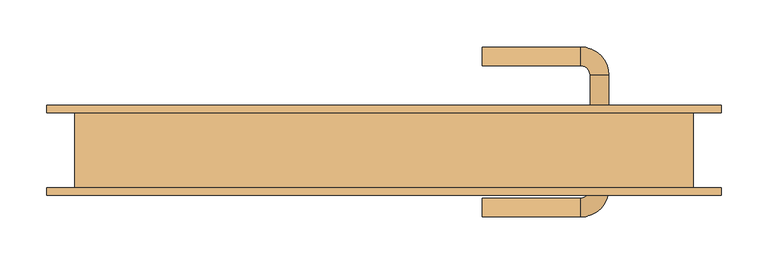
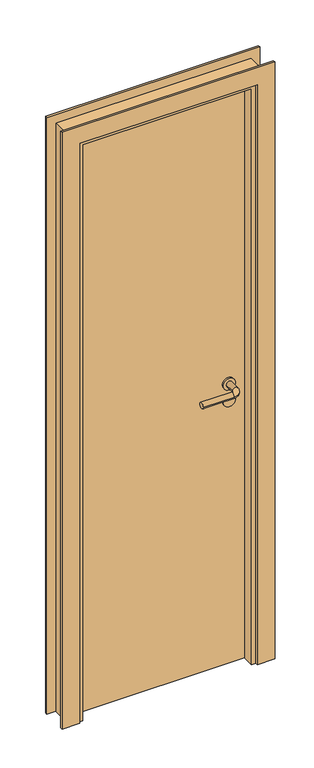
"""IFC4 building model written with IfcOpenShell, lengths in millimetres: door geometry."""

from ifc_helpers import new_model, si_unit, point, frame, frame_2d, origin, origin_with_axes, place, context, project, spatial, polyline, circle_curve, ellipse_curve, trimmed, segment, composite_curve, outline, extrude, faceted_brep, source, transform, mapped, element, save
from ifc_brep_helpers import plane_surface, cylinder_surface, revolved_surface, advanced_brep


def door_f79546a5(model_context):
    return source(origin(), model_context, "Body", "SolidModel", [
        advanced_brep(
        [(250.0, -6.5831809, 1000.0), (210.0, -6.5831809, 1000.0), (240.0, -6.5831809, 1000.0), (220.0, -6.5831809, 1000.0), (250.0, 0.0, 1000.0), (210.0, 0.0, 1000.0), (105.0, -70.6350833, 1000.0), (105.0, -50.6350833, 1000.0), (240.0, -40.6350833, 1000.0), (220.0, -40.6350833, 1000.0), (210.0, -50.6350833, 1000.0), (210.0, -70.6350833, 1000.0)],
        [
            (0, 1, circle_curve(frame((230.0, -6.5831809, 1000.0), z_axis=(0.0, -1.0, 0.0), x_axis=(-1.0, 0.0, 0.0)), 20.0)),
            (1, 0, circle_curve(frame((230.0, -6.5831809, 1000.0), z_axis=(0.0, -1.0, 0.0), x_axis=(-1.0, 0.0, 0.0)), 20.0)),
            (2, 3, circle_curve(frame((230.0, -6.5831809, 1000.0), z_axis=(0.0, 1.0, 0.0), x_axis=(-1.0, 0.0, 0.0)), 10.0)),
            (3, 2, circle_curve(frame((230.0, -6.5831809, 1000.0), z_axis=(0.0, 1.0, 0.0), x_axis=(-1.0, 0.0, 0.0)), 10.0)),
            (4, 5, circle_curve(frame((230.0, 0.0, 1000.0), z_axis=(0.0, 1.0, 0.0), x_axis=(-1.0, 0.0, 0.0)), 20.0)),
            (5, 4, circle_curve(frame((230.0, 0.0, 1000.0), z_axis=(0.0, 1.0, 0.0), x_axis=(-1.0, 0.0, 0.0)), 20.0)),
            (1, 5),
            (4, 0),
            (6, 7, circle_curve(frame((105.0, -60.6350833, 1000.0), z_axis=(-1.0, 0.0, 0.0), x_axis=(0.0, 1.0, 0.0)), 10.0)),
            (7, 6, circle_curve(frame((105.0, -60.6350833, 1000.0), z_axis=(-1.0, 0.0, 0.0), x_axis=(0.0, 1.0, 0.0)), 10.0)),
            (8, 2),
            (3, 9),
            (9, 8, circle_curve(frame((230.0, -40.6350833, 1000.0), z_axis=(0.0, 1.0, 0.0), x_axis=(-1.0, 0.0, 0.0)), 10.0)),
            (8, 9, circle_curve(frame((230.0, -40.6350833, 1000.0), z_axis=(0.0, 1.0, 0.0), x_axis=(-1.0, 0.0, 0.0)), 10.0)),
            (9, 10, circle_curve(frame((210.0, -40.6350833, 1000.0), z_axis=(0.0, 0.0, -1.0), x_axis=(1.0, 0.0, 0.0)), 10.0)),
            (10, 11, circle_curve(frame((210.0, -60.6350833, 1000.0), z_axis=(1.0, 0.0, 0.0), x_axis=(0.0, 1.0, 0.0)), 10.0)),
            (11, 8, circle_curve(frame((210.0, -40.6350833, 1000.0), z_axis=(0.0, 0.0, 1.0), x_axis=(1.0, 0.0, 0.0)), 30.0)),
            (11, 10, circle_curve(frame((210.0, -60.6350833, 1000.0), z_axis=(1.0, 0.0, 0.0), x_axis=(0.0, 1.0, 0.0)), 10.0)),
            (6, 11),
            (10, 7),
        ],
        [
            plane_surface(frame((210.0, -6.5831809, 1000.0), z_axis=(0.0, -1.0, 0.0), x_axis=(0.0, 0.0, 1.0))),
            plane_surface(frame((210.0, 0.0, 1000.0), z_axis=(0.0, 1.0, 0.0), x_axis=(0.0, 0.0, -1.0))),
            cylinder_surface(frame((230.0, 0.0, 1000.0), z_axis=(0.0, -1.0, 0.0), x_axis=(-1.0, 0.0, 0.0)), 20.0),
            plane_surface(frame((105.0, -60.6350833, 1000.0), z_axis=(-1.0, 0.0, 0.0), x_axis=(0.0, 0.0, -1.0))),
            cylinder_surface(frame((230.0, 0.0, 1000.0), z_axis=(0.0, 1.0, 0.0), x_axis=(-1.0, 0.0, 0.0)), 10.0),
            revolved_surface(trimmed(ellipse_curve(frame((230.0, -40.6350833, 1000.0), z_axis=(0.0, -1.0, 0.0), x_axis=(-1.0, 0.0, 0.0)), 10.0, 10.0), [point((240.0, -40.6350833, 1000.0))], [point((220.0, -40.6350833, 1000.0))], True, "CARTESIAN"), (210.0, -40.6350833, 1000.0), (0.0, 0.0, 1.0)),
            revolved_surface(trimmed(ellipse_curve(frame((230.0, -40.6350833, 1000.0), z_axis=(0.0, -1.0, 0.0), x_axis=(-1.0, 0.0, 0.0)), 10.0, 10.0), [point((220.0, -40.6350833, 1000.0))], [point((240.0, -40.6350833, 1000.0))], True, "CARTESIAN"), (210.0, -40.6350833, 1000.0), (0.0, 0.0, 1.0)),
            cylinder_surface(frame((210.0, -60.6350833, 1000.0), z_axis=(1.0, 0.0, 0.0), x_axis=(0.0, 1.0, 0.0)), 10.0),
        ],
        [
            (0, [[1, 2], [3, 4]]),
            (1, [[5, 6]]),
            (2, [[7, -5, 8, -2]]),
            (2, [[-8, -6, -7, -1]]),
            (3, [[9, 10]]),
            (4, [[11, -4, 12, 13]]),
            (4, [[-12, -3, -11, 14]]),
            (5, [[15, 16, 17, -13]]),
            (6, [[-17, 18, -15, -14]]),
            (7, [[19, -16, 20, -9]]),
            (7, [[-20, -18, -19, -10]]),
        ],
    ),
        extrude(outline(composite_curve([segment(trimmed(circle_curve(frame_2d((940.0, 230.0)), 20.0), [point((940.0, 250.0))], [point((940.0, 210.0))], False, "CARTESIAN"), True, "CONTINUOUS"), segment(trimmed(circle_curve(frame_2d((940.0, 230.0)), 20.0), [point((940.0, 210.0))], [point((940.0, 250.0))], False, "CARTESIAN"), True, "CONTINUOUS")], self_intersect=False)), frame((0.0, -6.5831809, 0.0), z_axis=(0.0, 1.0, 0.0), x_axis=(0.0, 0.0, 1.0)), (0.0, 0.0, 1.0), 6.5831809),
        advanced_brep(
        [(250.0, 46.5831809, 1000.0), (210.0, 46.5831809, 1000.0), (240.0, 46.5831809, 1000.0), (220.0, 46.5831809, 1000.0), (250.0, 40.0, 1000.0), (210.0, 40.0, 1000.0), (105.0, 110.6350833, 1000.0), (105.0, 90.6350833, 1000.0), (240.0, 80.6350833, 1000.0), (220.0, 80.6350833, 1000.0), (210.0, 110.6350833, 1000.0), (210.0, 90.6350833, 1000.0)],
        [
            (0, 1, circle_curve(frame((230.0, 46.5831809, 1000.0), z_axis=(0.0, 1.0, 0.0), x_axis=(-1.0, 0.0, 0.0)), 20.0)),
            (1, 0, circle_curve(frame((230.0, 46.5831809, 1000.0), z_axis=(0.0, 1.0, 0.0), x_axis=(-1.0, 0.0, 0.0)), 20.0)),
            (2, 3, circle_curve(frame((230.0, 46.5831809, 1000.0), z_axis=(0.0, -1.0, 0.0), x_axis=(-1.0, 0.0, 0.0)), 10.0)),
            (3, 2, circle_curve(frame((230.0, 46.5831809, 1000.0), z_axis=(0.0, -1.0, 0.0), x_axis=(-1.0, 0.0, 0.0)), 10.0)),
            (4, 5, circle_curve(frame((230.0, 40.0, 1000.0), z_axis=(0.0, -1.0, 0.0), x_axis=(-1.0, 0.0, 0.0)), 20.0)),
            (5, 4, circle_curve(frame((230.0, 40.0, 1000.0), z_axis=(0.0, -1.0, 0.0), x_axis=(-1.0, 0.0, 0.0)), 20.0)),
            (0, 4),
            (5, 1),
            (6, 7, circle_curve(frame((105.0, 100.6350833, 1000.0), z_axis=(-1.0, 0.0, 0.0), x_axis=(0.0, -1.0, 0.0)), 10.0)),
            (7, 6, circle_curve(frame((105.0, 100.6350833, 1000.0), z_axis=(-1.0, 0.0, 0.0), x_axis=(0.0, -1.0, 0.0)), 10.0)),
            (8, 9, circle_curve(frame((230.0, 80.6350833, 1000.0), z_axis=(0.0, -1.0, 0.0), x_axis=(-1.0, 0.0, 0.0)), 10.0)),
            (9, 3),
            (2, 8),
            (9, 8, circle_curve(frame((230.0, 80.6350833, 1000.0), z_axis=(0.0, -1.0, 0.0), x_axis=(-1.0, 0.0, 0.0)), 10.0)),
            (8, 10, circle_curve(frame((210.0, 80.6350833, 1000.0), z_axis=(0.0, 0.0, 1.0), x_axis=(1.0, 0.0, 0.0)), 30.0)),
            (10, 11, circle_curve(frame((210.0, 100.6350833, 1000.0), z_axis=(1.0, 0.0, 0.0), x_axis=(0.0, -1.0, 0.0)), 10.0)),
            (11, 9, circle_curve(frame((210.0, 80.6350833, 1000.0), z_axis=(0.0, 0.0, -1.0), x_axis=(1.0, 0.0, 0.0)), 10.0)),
            (11, 10, circle_curve(frame((210.0, 100.6350833, 1000.0), z_axis=(1.0, 0.0, 0.0), x_axis=(0.0, -1.0, 0.0)), 10.0)),
            (7, 11),
            (10, 6),
        ],
        [
            plane_surface(frame((210.0, 46.5831809, 1000.0), z_axis=(0.0, 1.0, 0.0), x_axis=(0.0, 0.0, 1.0))),
            plane_surface(frame((210.0, 40.0, 1000.0), z_axis=(0.0, -1.0, 0.0), x_axis=(0.0, 0.0, -1.0))),
            cylinder_surface(frame((230.0, 40.0, 1000.0), z_axis=(0.0, 1.0, 0.0), x_axis=(-1.0, 0.0, 0.0)), 20.0),
            plane_surface(frame((105.0, 100.6350833, 1000.0), z_axis=(-1.0, 0.0, 0.0), x_axis=(0.0, 0.0, -1.0))),
            cylinder_surface(frame((230.0, 40.0, 1000.0), z_axis=(0.0, -1.0, 0.0), x_axis=(-1.0, 0.0, 0.0)), 10.0),
            revolved_surface(trimmed(ellipse_curve(frame((230.0, 80.6350833, 1000.0), z_axis=(0.0, -1.0, 0.0), x_axis=(-1.0, 0.0, 0.0)), 10.0, 10.0), [point((240.0, 80.6350833, 1000.0))], [point((220.0, 80.6350833, 1000.0))], True, "CARTESIAN"), (210.0, 80.6350833, 1000.0), (0.0, 0.0, 1.0)),
            revolved_surface(trimmed(ellipse_curve(frame((230.0, 80.6350833, 1000.0), z_axis=(0.0, -1.0, 0.0), x_axis=(-1.0, 0.0, 0.0)), 10.0, 10.0), [point((220.0, 80.6350833, 1000.0))], [point((240.0, 80.6350833, 1000.0))], True, "CARTESIAN"), (210.0, 80.6350833, 1000.0), (0.0, 0.0, 1.0)),
            cylinder_surface(frame((210.0, 100.6350833, 1000.0), z_axis=(1.0, 0.0, 0.0), x_axis=(0.0, -1.0, 0.0)), 10.0),
        ],
        [
            (0, [[1, 2], [3, 4]]),
            (1, [[5, 6]]),
            (2, [[-1, 7, -6, 8]]),
            (2, [[-2, -8, -5, -7]]),
            (3, [[9, 10]]),
            (4, [[11, 12, -3, 13]]),
            (4, [[14, -13, -4, -12]]),
            (5, [[-11, 15, 16, 17]]),
            (6, [[-14, -17, 18, -15]]),
            (7, [[-10, 19, -16, 20]]),
            (7, [[-9, -20, -18, -19]]),
        ],
    ),
        extrude(outline(composite_curve([segment(trimmed(circle_curve(frame_2d((940.0, 230.0)), 20.0), [point((940.0, 250.0))], [point((940.0, 210.0))], False, "CARTESIAN"), True, "CONTINUOUS"), segment(trimmed(circle_curve(frame_2d((940.0, 230.0)), 20.0), [point((940.0, 210.0))], [point((940.0, 250.0))], False, "CARTESIAN"), True, "CONTINUOUS")], self_intersect=False)), frame((0.0, 40.0, 0.0), z_axis=(0.0, 1.0, 0.0), x_axis=(0.0, 0.0, 1.0)), (0.0, 0.0, 1.0), 6.5831809),
        extrude(outline(polyline([(-300.0, 20.0), (300.0, 20.0), (300.0, 0.0), (-300.0, 0.0), (-300.0, 20.0)])), origin_with_axes(), (0.0, 0.0, 1.0), 2070.0),
        extrude(outline(polyline([(300.0, 20.0), (-300.0, 20.0), (-300.0, 40.0), (300.0, 40.0), (300.0, 20.0)])), origin_with_axes(), (0.0, 0.0, 1.0), 2070.0),
        extrude(outline(polyline([(0.0, -300.0), (2070.0, -300.0), (2070.0, 300.0), (0.0, 300.0), (0.0, 360.0), (2130.0, 360.0), (2130.0, -360.0), (0.0, -360.0), (0.0, -300.0)])), frame((0.0, 40.0, 0.0), z_axis=(0.0, 1.0, 0.0), x_axis=(0.0, 0.0, 1.0)), (0.0, 0.0, 1.0), 8.0),
        extrude(outline(polyline([(0.0, -360.0), (0.0, -300.0), (2070.0, -300.0), (2070.0, 300.0), (0.0, 300.0), (0.0, 360.0), (2130.0, 360.0), (2130.0, -360.0), (0.0, -360.0)])), frame((0.0, -48.0, 0.0), z_axis=(0.0, 1.0, 0.0), x_axis=(0.0, 0.0, 1.0)), (0.0, 0.0, 1.0), 8.0),
        faceted_brep([(-300.0, 0.0, 0.0), (-285.0, 0.0, 0.0), (-285.0, -40.0, 0.0), (-330.0, -40.0, 0.0), (-330.0, 40.0, 0.0), (-300.0, 40.0, 0.0), (-300.0, 0.0, 2070.0), (300.0, 0.0, 2070.0), (300.0, 0.0, 0.0), (285.0, 0.0, 0.0), (285.0, 0.0, 2055.0), (-285.0, 0.0, 2055.0), (-285.0, -40.0, 2055.0), (285.0, -40.0, 2055.0), (285.0, -40.0, 0.0), (330.0, -40.0, 0.0), (330.0, -40.0, 2100.0), (-330.0, -40.0, 2100.0), (-330.0, 40.0, 2100.0), (330.0, 40.0, 2100.0), (330.0, 40.0, 0.0), (300.0, 40.0, 0.0), (300.0, 40.0, 2070.0), (-300.0, 40.0, 2070.0)], [[[0, 1, 2, 3, 4, 5]], [[1, 0, 6, 7, 8, 9, 10, 11]], [[2, 1, 11, 12]], [[3, 2, 12, 13, 14, 15, 16, 17]], [[4, 3, 17, 18]], [[5, 4, 18, 19, 20, 21, 22, 23]], [[0, 5, 23, 6]], [[12, 11, 10, 13]], [[18, 17, 16, 19]], [[6, 23, 22, 7]], [[8, 21, 20, 15, 14, 9]], [[13, 10, 9, 14]], [[19, 16, 15, 20]], [[7, 22, 21, 8]]]),
    ])


if __name__ == "__main__":
    model = new_model("IFC4")
    model_context = context("Model", 3, world=origin())
    ifc_project = project(units=[si_unit("LENGTHUNIT", "METRE", prefix="MILLI")], contexts=[model_context])
    site = spatial("IfcSite", under=ifc_project)
    building = spatial("IfcBuilding", under=site)
    placement = place(None, origin())
    door_shape = door_f79546a5(model_context)
    element("IfcDoor", 1, at=placement, inside=building, context=model_context, shape_type="MappedRepresentation", body=[
        mapped(door_shape, transform((0.0, 0.0, 0.0), x_axis=(1.0, 0.0, 0.0), y_axis=(0.0, 1.0, 0.0), z_axis=(0.0, 0.0, 1.0))),
    ])
    save(model, "model.ifc")
